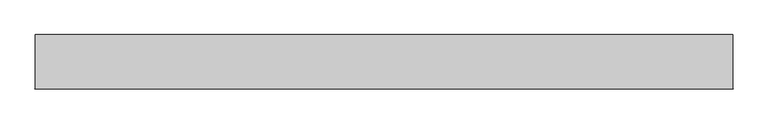
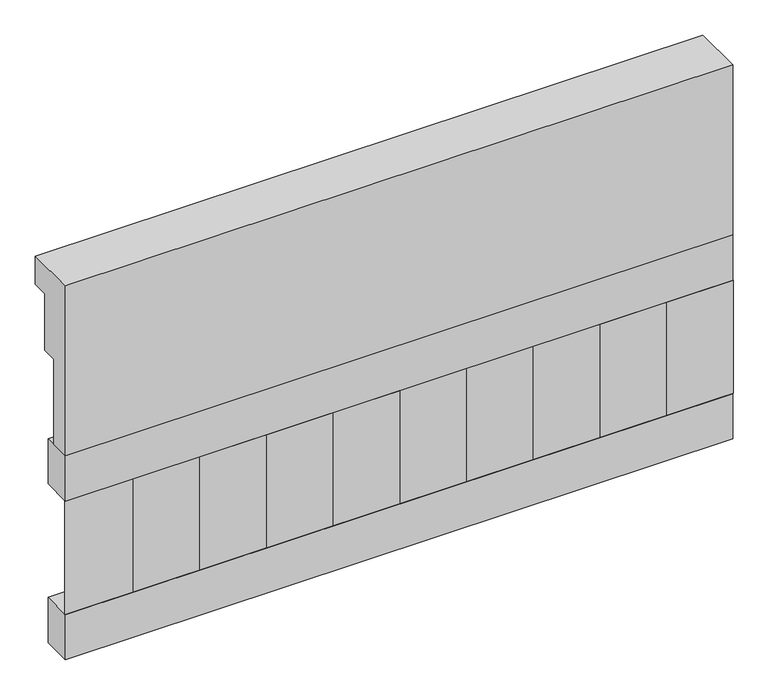
"""IFC4 building model written with IfcOpenShell, lengths in millimetres: railing geometry."""

import ifcopenshell
import ifcopenshell.guid

model = None  # the IFC model being written
_history = None  # IfcOwnerHistory: only IFC2X3 demands one
_inside = {}  # id of a spatial element -> (the spatial element, [elements in it])
_under = {}  # id of a project, library or spatial element -> (it, [spatial elements below it])
_declared = {}  # id of a project -> (the project, [libraries it declares])
_typed = {}  # id of a type object -> (the type object, [elements of that type])
_made_of = {}  # id of a material, layer set ... -> (it, [elements and type objects made of it])


def new_model(schema):
    """Start an empty IFC model of exactly this schema.

    Asked for "IFC4X3", IfcOpenShell would pick the latest addendum, in which some entities
    have other attributes; the version numbers below select the first issue.
    IFC2X3 requires an IfcOwnerHistory on every rooted entity: one is made here for all.
    """
    global model, _history
    if schema == "IFC4X3":
        model = ifcopenshell.file(schema_version=(4, 3, 0, 0))
    else:
        model = ifcopenshell.file(schema=schema)
    _inside.clear()
    _under.clear()
    _declared.clear()
    _typed.clear()
    _made_of.clear()
    _history = None
    if model.schema == "IFC2X3":
        org = make("IfcOrganization", Name="unknown")
        user = make(
            "IfcPersonAndOrganization",
            ThePerson=make("IfcPerson", FamilyName="unknown"),
            TheOrganization=org,
        )
        app = make(
            "IfcApplication",
            ApplicationDeveloper=org,
            Version="unknown",
            ApplicationFullName="unknown",
            ApplicationIdentifier="unknown",
        )
        _history = make(
            "IfcOwnerHistory",
            OwningUser=user,
            OwningApplication=app,
            ChangeAction="ADDED",
            CreationDate=0,
        )
    return model


def make(cls, **values):
    """One entity of the class cls with the attributes given. An attribute that is None is left unset."""
    return model.create_entity(
        cls, **{name: value for name, value in values.items() if value is not None}
    )


def rooted(cls, **values):
    """An entity with a GlobalId (a new one), such as an element, a storey or a relation."""
    return make(cls, GlobalId=ifcopenshell.guid.new(), OwnerHistory=_history, **values)


def si_unit(unit_type, name, prefix=None):
    """IfcSIUnit, for example si_unit("LENGTHUNIT", "METRE", prefix="MILLI")."""
    return make("IfcSIUnit", UnitType=unit_type, Prefix=prefix, Name=name)


def assignment(units):
    """IfcUnitAssignment: the units of a project."""
    return None if units is None else make("IfcUnitAssignment", Units=units)


def point(xyz):
    """IfcCartesianPoint."""
    return None if xyz is None else make("IfcCartesianPoint", Coordinates=xyz)


def direction(xyz):
    """IfcDirection."""
    return None if xyz is None else make("IfcDirection", DirectionRatios=xyz)


def frame(location, z_axis=None, x_axis=None):
    """IfcAxis2Placement3D, a coordinate frame: its origin and axes. An axis left out is left unset."""
    return make(
        "IfcAxis2Placement3D",
        Location=point(location),
        Axis=direction(z_axis),
        RefDirection=direction(x_axis),
    )


def origin():
    """The frame at (0, 0, 0) with its axes left unset."""
    return frame((0.0, 0.0, 0.0))


def place(relative_to, where):
    """IfcLocalPlacement: puts the frame where relative to a parent placement (None: the world)."""
    return make(
        "IfcLocalPlacement", PlacementRelTo=relative_to, RelativePlacement=where
    )


def context(
    kind, dimensions, precision=None, world=None, true_north=None, identifier=None
):
    """IfcGeometricRepresentationContext, for example the 3D "Model" context."""
    return make(
        "IfcGeometricRepresentationContext",
        ContextIdentifier=identifier,
        ContextType=kind,
        CoordinateSpaceDimension=dimensions,
        Precision=precision,
        WorldCoordinateSystem=world,
        TrueNorth=true_north,
    )


def project(units=None, contexts=None):
    """IfcProject with its units and contexts."""
    return rooted(
        "IfcProject",
        Name="project",
        RepresentationContexts=contexts,
        UnitsInContext=assignment(units),
    )


def spatial(cls, under=None, at=None, **own):
    """A site, building, storey or space (cls), placed at a placement, below another one or the project."""
    s = rooted(cls, ObjectPlacement=at, **own)
    if under is not None:
        _under.setdefault(under.id(), (under, []))[1].append(s)
    return s


def polyline(points):
    """IfcPolyline through the points."""
    return make("IfcPolyline", Points=[point(p) for p in points])


def outline(outer, holes=None, kind="AREA"):
    """IfcArbitraryClosedProfileDef: a profile drawn as a closed curve; with holes, ...WithVoids."""
    if holes is None:
        return make("IfcArbitraryClosedProfileDef", ProfileType=kind, OuterCurve=outer)
    return make(
        "IfcArbitraryProfileDefWithVoids",
        ProfileType=kind,
        OuterCurve=outer,
        InnerCurves=holes,
    )


def extrude(swept, where, along, depth):
    """IfcExtrudedAreaSolid: the profile swept, set in the frame where, extruded along a direction by depth."""
    return make(
        "IfcExtrudedAreaSolid",
        SweptArea=swept,
        Position=where,
        ExtrudedDirection=direction(along),
        Depth=depth,
    )


def shape(context_of_items, identifier, shape_type, items):
    """IfcShapeRepresentation: the items that make up one representation, for example the "Body"."""
    return make(
        "IfcShapeRepresentation",
        ContextOfItems=context_of_items,
        RepresentationIdentifier=identifier,
        RepresentationType=shape_type,
        Items=items,
    )


def source(mapping_origin, context_of_items, identifier, shape_type, items):
    """IfcRepresentationMap: a shape defined once, which mapped items show again and again."""
    return make(
        "IfcRepresentationMap",
        MappingOrigin=mapping_origin,
        MappedRepresentation=shape(context_of_items, identifier, shape_type, items),
    )


def transform(
    local_origin,
    x_axis=None,
    y_axis=None,
    z_axis=None,
    scale=None,
    scale2=None,
    scale3=None,
    uniform=True,
):
    """IfcCartesianTransformationOperator3D, or its non-uniform kind. x_axis, y_axis, z_axis: its Axis1, 2, 3."""
    if uniform:
        return make(
            "IfcCartesianTransformationOperator3D",
            Axis1=direction(x_axis),
            Axis2=direction(y_axis),
            LocalOrigin=point(local_origin),
            Scale=scale,
            Axis3=direction(z_axis),
        )
    return make(
        "IfcCartesianTransformationOperator3DnonUniform",
        Axis1=direction(x_axis),
        Axis2=direction(y_axis),
        LocalOrigin=point(local_origin),
        Scale=scale,
        Axis3=direction(z_axis),
        Scale2=scale2,
        Scale3=scale3,
    )


def mapped(mapping_source, mapping_target):
    """IfcMappedItem: shows the shape of a source again, moved by a transform."""
    return make(
        "IfcMappedItem", MappingSource=mapping_source, MappingTarget=mapping_target
    )


def made_of(thing, what):
    """Note that an element or type object is made of a material, layer set ...; save() writes the relation."""
    if what is not None:
        _made_of.setdefault(what.id(), (what, []))[1].append(thing)
    return thing


def element(
    cls,
    number,
    at=None,
    inside=None,
    cuts=None,
    type_object=None,
    material=None,
    context=None,
    identifier="Body",
    shape_type=None,
    held_by="IfcProductDefinitionShape",
    body=None,
    shapes=None,
    **own,
):
    """One element of the class cls, such as IfcWall. Its Tag is "e" and its number.

    at: its placement. inside: the storey or other place that contains it. cuts: it is an
    opening in that element (IfcRelVoidsElement). A single representation is given by context,
    identifier, shape_type and body (its items); several are given by shapes. held_by: the class
    of the entity that holds the representations. save() writes the other relations.
    """
    e = rooted(cls, Tag="e%d" % number, ObjectPlacement=at, **own)
    if body is not None:
        shapes = [shape(context, identifier, shape_type, body)]
    if shapes is not None:
        e.Representation = make(held_by, Representations=shapes)
    if inside is not None:
        _inside.setdefault(inside.id(), (inside, []))[1].append(e)
    if cuts is not None:
        rooted(
            "IfcRelVoidsElement", RelatingBuildingElement=cuts, RelatedOpeningElement=e
        )
    if type_object is not None:
        _typed.setdefault(type_object.id(), (type_object, []))[1].append(e)
    return made_of(e, material)


def aggregate(whole, parts):
    """IfcRelAggregates: a whole, such as a stair, and the parts it consists of."""
    return rooted("IfcRelAggregates", RelatingObject=whole, RelatedObjects=parts)


def save(model, path):
    """Write the relations noted so far, then the file.

    IfcRelAggregates (storeys below a building ...), IfcRelContainedInSpatialStructure (elements
    in a storey), IfcRelDefinesByType, IfcRelAssociatesMaterial and IfcRelDeclares: one each for
    every whole, place, type object, material and project.
    """
    for whole, parts in _under.values():
        aggregate(whole, parts)
    for where, things in _inside.values():
        rooted(
            "IfcRelContainedInSpatialStructure",
            RelatedElements=things,
            RelatingStructure=where,
        )
    for kind, things in _typed.values():
        rooted("IfcRelDefinesByType", RelatedObjects=things, RelatingType=kind)
    for what, things in _made_of.values():
        rooted("IfcRelAssociatesMaterial", RelatedObjects=things, RelatingMaterial=what)
    for by, libraries in _declared.values():
        rooted("IfcRelDeclares", RelatingContext=by, RelatedDefinitions=libraries)
    model.write(path)


def railing_1d0e75f4(model_context):
    return source(origin(), model_context, "Body", "SweptSolid", [
        extrude(outline(polyline([(903.1079487, 28400.0), (1033.1079487, 28400.0), (1033.1079487, 28325.0), (993.1079487, 28325.0), (993.1079487, 28175.0), (953.1079487, 28175.0), (953.1079487, 27950.0), (903.1079487, 27950.0), (903.1079487, 28400.0)])), frame((15760.0112841, 0.0, 0.0), z_axis=(1.0, 0.0, 0.0), x_axis=(0.0, 1.0, 0.0)), (0.0, 0.0, 1.0), 1670.0),
        extrude(outline(polyline([(17430.0112841, 978.1079487), (17430.0112841, 903.1079487), (15760.0112841, 903.1079487), (15760.0112841, 978.1079487), (17430.0112841, 978.1079487)])), frame((0.0, 0.0, 27830.0), z_axis=(0.0, 0.0, 1.0), x_axis=(1.0, 0.0, 0.0)), (0.0, 0.0, 1.0), 120.0),
        extrude(outline(polyline([(17430.0112841, 978.1079487), (17430.0112841, 903.1079487), (15760.0112841, 903.1079487), (15760.0112841, 978.1079487), (17430.0112841, 978.1079487)])), frame((0.0, 0.0, 27410.0), z_axis=(0.0, 0.0, 1.0), x_axis=(1.0, 0.0, 0.0)), (0.0, 0.0, 1.0), 120.0),
        extrude(outline(polyline([(15843.5112841, 987.9607624), (15928.3640978, 903.1079487), (15758.6584704, 903.1079487), (15843.5112841, 987.9607624)])), frame((0.0, 0.0, 27530.0), z_axis=(0.0, 0.0, 1.0), x_axis=(1.0, 0.0, 0.0)), (0.0, 0.0, 1.0), 300.0),
        extrude(outline(polyline([(16010.5112841, 987.9607624), (16095.3640978, 903.1079487), (15925.6584704, 903.1079487), (16010.5112841, 987.9607624)])), frame((0.0, 0.0, 27530.0), z_axis=(0.0, 0.0, 1.0), x_axis=(1.0, 0.0, 0.0)), (0.0, 0.0, 1.0), 300.0),
        extrude(outline(polyline([(16177.5112841, 987.9607624), (16262.3640978, 903.1079487), (16092.6584704, 903.1079487), (16177.5112841, 987.9607624)])), frame((0.0, 0.0, 27530.0), z_axis=(0.0, 0.0, 1.0), x_axis=(1.0, 0.0, 0.0)), (0.0, 0.0, 1.0), 300.0),
        extrude(outline(polyline([(16344.5112841, 987.9607624), (16429.3640978, 903.1079487), (16259.6584704, 903.1079487), (16344.5112841, 987.9607624)])), frame((0.0, 0.0, 27530.0), z_axis=(0.0, 0.0, 1.0), x_axis=(1.0, 0.0, 0.0)), (0.0, 0.0, 1.0), 300.0),
        extrude(outline(polyline([(16511.5112841, 987.9607624), (16596.3640978, 903.1079487), (16426.6584704, 903.1079487), (16511.5112841, 987.9607624)])), frame((0.0, 0.0, 27530.0), z_axis=(0.0, 0.0, 1.0), x_axis=(1.0, 0.0, 0.0)), (0.0, 0.0, 1.0), 300.0),
        extrude(outline(polyline([(16678.5112841, 987.9607624), (16763.3640978, 903.1079487), (16593.6584704, 903.1079487), (16678.5112841, 987.9607624)])), frame((0.0, 0.0, 27530.0), z_axis=(0.0, 0.0, 1.0), x_axis=(1.0, 0.0, 0.0)), (0.0, 0.0, 1.0), 300.0),
        extrude(outline(polyline([(16845.5112841, 987.9607624), (16930.3640978, 903.1079487), (16760.6584704, 903.1079487), (16845.5112841, 987.9607624)])), frame((0.0, 0.0, 27530.0), z_axis=(0.0, 0.0, 1.0), x_axis=(1.0, 0.0, 0.0)), (0.0, 0.0, 1.0), 300.0),
        extrude(outline(polyline([(17012.5112841, 987.9607624), (17097.3640978, 903.1079487), (16927.6584704, 903.1079487), (17012.5112841, 987.9607624)])), frame((0.0, 0.0, 27530.0), z_axis=(0.0, 0.0, 1.0), x_axis=(1.0, 0.0, 0.0)), (0.0, 0.0, 1.0), 300.0),
        extrude(outline(polyline([(17179.5112841, 987.9607624), (17264.3640978, 903.1079487), (17094.6584704, 903.1079487), (17179.5112841, 987.9607624)])), frame((0.0, 0.0, 27530.0), z_axis=(0.0, 0.0, 1.0), x_axis=(1.0, 0.0, 0.0)), (0.0, 0.0, 1.0), 300.0),
        extrude(outline(polyline([(17346.5112841, 987.9607624), (17431.3640978, 903.1079487), (17261.6584704, 903.1079487), (17346.5112841, 987.9607624)])), frame((0.0, 0.0, 27530.0), z_axis=(0.0, 0.0, 1.0), x_axis=(1.0, 0.0, 0.0)), (0.0, 0.0, 1.0), 300.0),
    ])


if __name__ == "__main__":
    model = new_model("IFC4")
    model_context = context("Model", 3, world=origin())
    ifc_project = project(units=[si_unit("LENGTHUNIT", "METRE", prefix="MILLI")], contexts=[model_context])
    site = spatial("IfcSite", under=ifc_project)
    building = spatial("IfcBuilding", under=site)
    placement = place(None, origin())
    railing_shape = railing_1d0e75f4(model_context)
    element("IfcRailing", 1, at=placement, inside=building, context=model_context, shape_type="MappedRepresentation", body=[
        mapped(railing_shape, transform((0.0, 0.0, 0.0), x_axis=(1.0, 0.0, 0.0), y_axis=(0.0, 1.0, 0.0), z_axis=(0.0, 0.0, 1.0))),
    ])
    save(model, "model.ifc")
